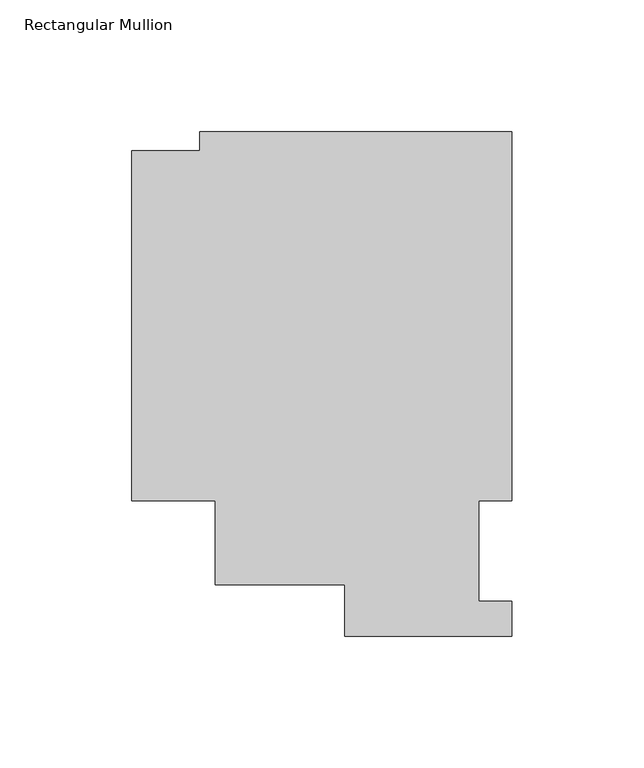
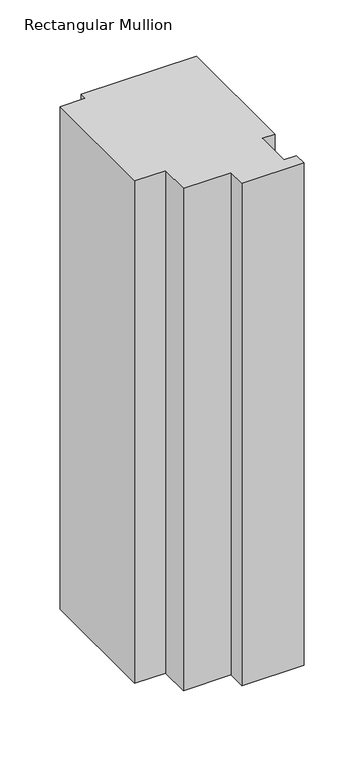
"""IFC4 building model written with IfcOpenShell, lengths in millimetres: member geometry, Rectangular Mullion."""

from ifc_helpers import new_model, si_unit, frame, origin, place, context, project, spatial, polyline, outline, extrude, source, transform, mapped, element, save


def rectangular_mullion_6f54d429(model_context):
    return source(origin(), model_context, "Body", "SweptSolid", [
        extrude(outline(polyline([(-118.6168161, 191.4989863), (0.0, 191.4989863), (0.0, 51.2960937), (-12.6873001, 51.2960938), (-12.6873001, 13.1960938), (-1e-07, 13.1960938), (-1e-07, 0.0134938), (-63.5000001, 0.0134938), (-63.5000001, 19.5430757), (-112.6644875, 19.5430757), (-112.6644875, 51.2960938), (-144.3735814, 51.2960938), (-144.3735814, 184.2620757), (-118.6168161, 184.2620757), (-118.6168161, 191.4989863)])), frame((0.0, 0.0, -546.1), z_axis=(0.0, 0.0, 1.0), x_axis=(1.0, 0.0, 0.0)), (0.0, 0.0, 1.0), 546.1),
    ])


if __name__ == "__main__":
    model = new_model("IFC4")
    model_context = context("Model", 3, world=origin())
    ifc_project = project(units=[si_unit("LENGTHUNIT", "METRE", prefix="MILLI")], contexts=[model_context])
    site = spatial("IfcSite", under=ifc_project)
    building = spatial("IfcBuilding", under=site)
    placement = place(None, origin())
    rectangular_mullion_shape = rectangular_mullion_6f54d429(model_context)
    element("IfcMember", 1, ObjectType="Rectangular Mullion", at=placement, inside=building, context=model_context, shape_type="MappedRepresentation", body=[
        mapped(rectangular_mullion_shape, transform((0.0, 0.0, 0.0), x_axis=(1.0, 0.0, 0.0), y_axis=(0.0, 1.0, 0.0), z_axis=(0.0, 0.0, 1.0))),
    ])
    save(model, "model.ifc")
